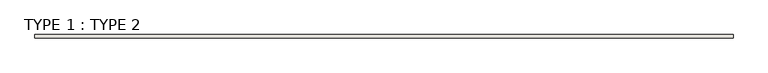
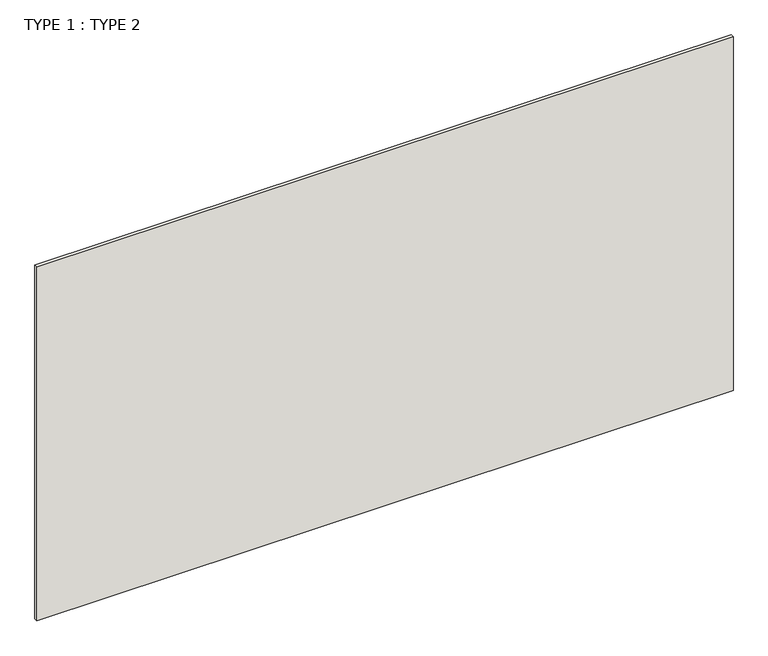
"""IFC4 building model written with IfcOpenShell, lengths in millimetres: wall geometry, TYPE 1 : TYPE 2."""

from ifc_helpers import new_model, si_unit, origin, origin_with_axes, place, context, project, spatial, polyline, outline, extrude, source, transform, mapped, element, save


def type_1_type_2_7630f66a(model_context):
    return source(origin(), model_context, "Body", "SweptSolid", [
        extrude(outline(polyline([(-28855.9440345, 25927.840365), (-38914.3440345, 25927.840365), (-38914.3440345, 25978.640365), (-28855.9440345, 25978.640365), (-28855.9440345, 25927.840365)])), origin_with_axes(), (0.0, 0.0, 1.0), 5403.85),
    ])


if __name__ == "__main__":
    model = new_model("IFC4")
    model_context = context("Model", 3, world=origin())
    ifc_project = project(units=[si_unit("LENGTHUNIT", "METRE", prefix="MILLI")], contexts=[model_context])
    site = spatial("IfcSite", under=ifc_project)
    building = spatial("IfcBuilding", under=site)
    placement = place(None, origin())
    type_1_type_2_shape = type_1_type_2_7630f66a(model_context)
    element("IfcWall", 1, ObjectType="TYPE 1 : TYPE 2", at=placement, inside=building, context=model_context, shape_type="MappedRepresentation", body=[
        mapped(type_1_type_2_shape, transform((0.0, 0.0, 0.0), x_axis=(1.0, 0.0, 0.0), y_axis=(0.0, 1.0, 0.0), z_axis=(0.0, 0.0, 1.0))),
    ])
    save(model, "model.ifc")
